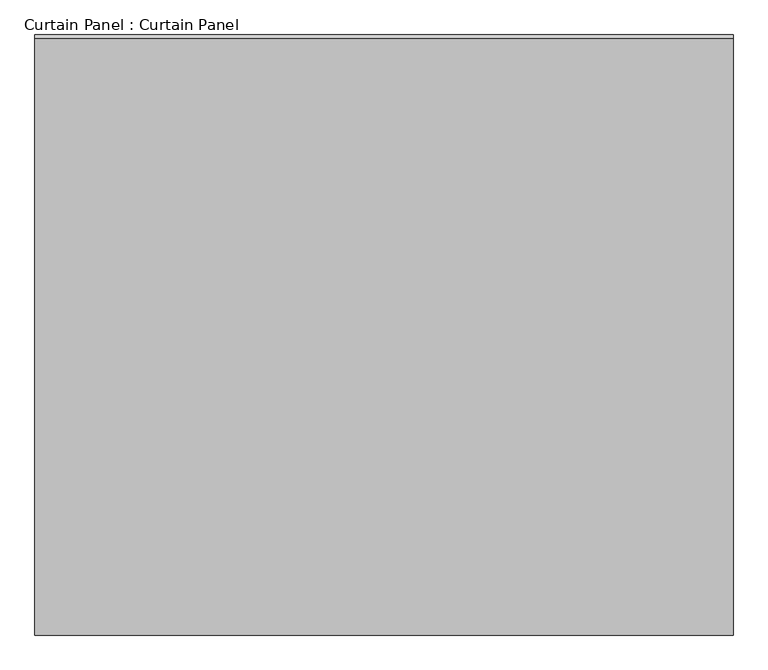
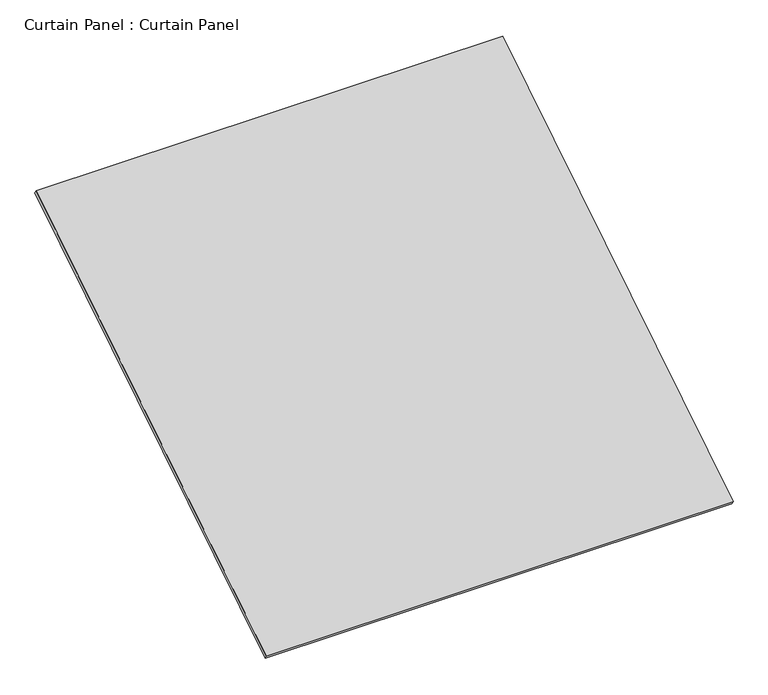
"""IFC4 building model written with IfcOpenShell, lengths in millimetres: plate geometry, Curtain Panel : Curtain Panel."""

from ifc_helpers import new_model, si_unit, frame, origin, place, context, project, spatial, polyline, outline, extrude, source, transform, mapped, element, save


def curtain_panel_curtain_panel_0f0ecd4b(model_context):
    return source(origin(), model_context, "Body", "SweptSolid", [
        extrude(outline(polyline([(-63.5, 0.0), (-63.5, -3013.075), (-3048.0, -3013.075), (-3048.0, 0.0), (-63.5, 0.0)])), frame((-120718.6430895, -6506.9755787, 5560.7850437), z_axis=(0.0, -0.5318918435658209, 0.8468122972348432), x_axis=(-1.0, 0.0, 0.0)), (0.0, 0.0, 1.0), 25.4),
    ])


if __name__ == "__main__":
    model = new_model("IFC4")
    model_context = context("Model", 3, world=origin())
    ifc_project = project(units=[si_unit("LENGTHUNIT", "METRE", prefix="MILLI")], contexts=[model_context])
    site = spatial("IfcSite", under=ifc_project)
    building = spatial("IfcBuilding", under=site)
    placement = place(None, origin())
    curtain_panel_curtain_panel_shape = curtain_panel_curtain_panel_0f0ecd4b(model_context)
    element("IfcPlate", 1, ObjectType="Curtain Panel : Curtain Panel", at=placement, inside=building, context=model_context, shape_type="MappedRepresentation", body=[
        mapped(curtain_panel_curtain_panel_shape, transform((0.0, 0.0, 0.0), x_axis=(1.0, 0.0, 0.0), y_axis=(0.0, 1.0, 0.0), z_axis=(0.0, 0.0, 1.0))),
    ])
    save(model, "model.ifc")
